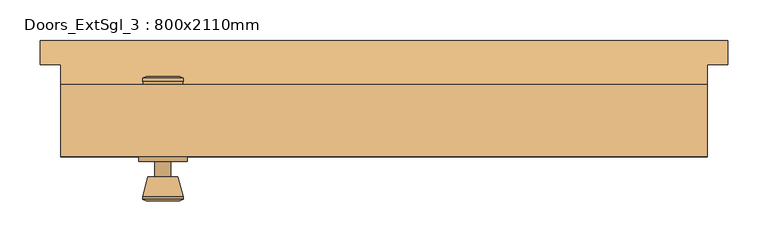
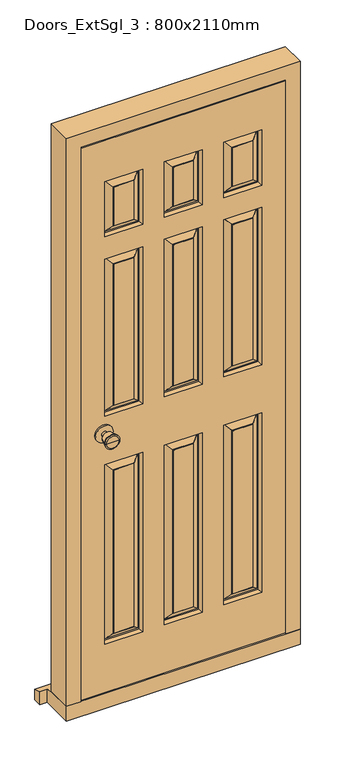
"""IFC4 building model written with IfcOpenShell, lengths in millimetres: door geometry, Doors_ExtSgl_3 : 800x2110mm."""

import ifcopenshell
import ifcopenshell.guid

model = None  # the IFC model being written
_history = None  # IfcOwnerHistory: only IFC2X3 demands one
_inside = {}  # id of a spatial element -> (the spatial element, [elements in it])
_under = {}  # id of a project, library or spatial element -> (it, [spatial elements below it])
_declared = {}  # id of a project -> (the project, [libraries it declares])
_typed = {}  # id of a type object -> (the type object, [elements of that type])
_made_of = {}  # id of a material, layer set ... -> (it, [elements and type objects made of it])


def new_model(schema):
    """Start an empty IFC model of exactly this schema.

    Asked for "IFC4X3", IfcOpenShell would pick the latest addendum, in which some entities
    have other attributes; the version numbers below select the first issue.
    IFC2X3 requires an IfcOwnerHistory on every rooted entity: one is made here for all.
    """
    global model, _history
    if schema == "IFC4X3":
        model = ifcopenshell.file(schema_version=(4, 3, 0, 0))
    else:
        model = ifcopenshell.file(schema=schema)
    _inside.clear()
    _under.clear()
    _declared.clear()
    _typed.clear()
    _made_of.clear()
    _history = None
    if model.schema == "IFC2X3":
        org = make("IfcOrganization", Name="unknown")
        user = make(
            "IfcPersonAndOrganization",
            ThePerson=make("IfcPerson", FamilyName="unknown"),
            TheOrganization=org,
        )
        app = make(
            "IfcApplication",
            ApplicationDeveloper=org,
            Version="unknown",
            ApplicationFullName="unknown",
            ApplicationIdentifier="unknown",
        )
        _history = make(
            "IfcOwnerHistory",
            OwningUser=user,
            OwningApplication=app,
            ChangeAction="ADDED",
            CreationDate=0,
        )
    return model


def make(cls, **values):
    """One entity of the class cls with the attributes given. An attribute that is None is left unset."""
    return model.create_entity(
        cls, **{name: value for name, value in values.items() if value is not None}
    )


def rooted(cls, **values):
    """An entity with a GlobalId (a new one), such as an element, a storey or a relation."""
    return make(cls, GlobalId=ifcopenshell.guid.new(), OwnerHistory=_history, **values)


def si_unit(unit_type, name, prefix=None):
    """IfcSIUnit, for example si_unit("LENGTHUNIT", "METRE", prefix="MILLI")."""
    return make("IfcSIUnit", UnitType=unit_type, Prefix=prefix, Name=name)


def assignment(units):
    """IfcUnitAssignment: the units of a project."""
    return None if units is None else make("IfcUnitAssignment", Units=units)


def point(xyz):
    """IfcCartesianPoint."""
    return None if xyz is None else make("IfcCartesianPoint", Coordinates=xyz)


def direction(xyz):
    """IfcDirection."""
    return None if xyz is None else make("IfcDirection", DirectionRatios=xyz)


def frame(location, z_axis=None, x_axis=None):
    """IfcAxis2Placement3D, a coordinate frame: its origin and axes. An axis left out is left unset."""
    return make(
        "IfcAxis2Placement3D",
        Location=point(location),
        Axis=direction(z_axis),
        RefDirection=direction(x_axis),
    )


def frame_2d(location, x_axis=None):
    """IfcAxis2Placement2D, a coordinate frame in the plane: its origin and x axis."""
    return make(
        "IfcAxis2Placement2D", Location=point(location), RefDirection=direction(x_axis)
    )


def origin():
    """The frame at (0, 0, 0) with its axes left unset."""
    return frame((0.0, 0.0, 0.0))


def place(relative_to, where):
    """IfcLocalPlacement: puts the frame where relative to a parent placement (None: the world)."""
    return make(
        "IfcLocalPlacement", PlacementRelTo=relative_to, RelativePlacement=where
    )


def context(
    kind, dimensions, precision=None, world=None, true_north=None, identifier=None
):
    """IfcGeometricRepresentationContext, for example the 3D "Model" context."""
    return make(
        "IfcGeometricRepresentationContext",
        ContextIdentifier=identifier,
        ContextType=kind,
        CoordinateSpaceDimension=dimensions,
        Precision=precision,
        WorldCoordinateSystem=world,
        TrueNorth=true_north,
    )


def project(units=None, contexts=None):
    """IfcProject with its units and contexts."""
    return rooted(
        "IfcProject",
        Name="project",
        RepresentationContexts=contexts,
        UnitsInContext=assignment(units),
    )


def spatial(cls, under=None, at=None, **own):
    """A site, building, storey or space (cls), placed at a placement, below another one or the project."""
    s = rooted(cls, ObjectPlacement=at, **own)
    if under is not None:
        _under.setdefault(under.id(), (under, []))[1].append(s)
    return s


def polyline(points):
    """IfcPolyline through the points."""
    return make("IfcPolyline", Points=[point(p) for p in points])


def circle_curve(where, radius):
    """IfcCircle in the frame where."""
    return make("IfcCircle", Position=where, Radius=radius)


def trimmed(basis, trim1, trim2, sense, master):
    """IfcTrimmedCurve: the piece of a basis curve between two trims."""
    return make(
        "IfcTrimmedCurve",
        BasisCurve=basis,
        Trim1=trim1,
        Trim2=trim2,
        SenseAgreement=sense,
        MasterRepresentation=master,
    )


def segment(curve, same_sense, transition):
    """IfcCompositeCurveSegment."""
    return make(
        "IfcCompositeCurveSegment",
        Transition=transition,
        SameSense=same_sense,
        ParentCurve=curve,
    )


def composite_curve(segments, self_intersect=None):
    """IfcCompositeCurve: segments joined end to end."""
    return make("IfcCompositeCurve", Segments=segments, SelfIntersect=self_intersect)


def outline(outer, holes=None, kind="AREA"):
    """IfcArbitraryClosedProfileDef: a profile drawn as a closed curve; with holes, ...WithVoids."""
    if holes is None:
        return make("IfcArbitraryClosedProfileDef", ProfileType=kind, OuterCurve=outer)
    return make(
        "IfcArbitraryProfileDefWithVoids",
        ProfileType=kind,
        OuterCurve=outer,
        InnerCurves=holes,
    )


def extrude(swept, where, along, depth):
    """IfcExtrudedAreaSolid: the profile swept, set in the frame where, extruded along a direction by depth."""
    return make(
        "IfcExtrudedAreaSolid",
        SweptArea=swept,
        Position=where,
        ExtrudedDirection=direction(along),
        Depth=depth,
    )


def faces_of(points, faces, orient=None, outer=None):
    """IfcFace entities. A face is a list of loops; a loop is a list of indices into points, from 0.

    orient and outer hold one flag for each loop. By default every Orientation is true, the
    first loop of a face is its IfcFaceOuterBound and the others are IfcFaceBound.
    """
    made = []
    for i, loops in enumerate(faces):
        bounds = []
        for j, loop in enumerate(loops):
            is_outer = j == 0 if outer is None else outer[i][j]
            bounds.append(
                make(
                    "IfcFaceOuterBound" if is_outer else "IfcFaceBound",
                    Bound=make("IfcPolyLoop", Polygon=[points[k] for k in loop]),
                    Orientation=True if orient is None else orient[i][j],
                )
            )
        made.append(make("IfcFace", Bounds=bounds))
    return made


def faceted_brep(points, faces, orient=None, outer=None, voids=None):
    """IfcFacetedBrep: a solid bounded by flat faces; with voids (closed shells), ...WithVoids."""
    shared = [point(p) for p in points]
    hull = make("IfcClosedShell", CfsFaces=faces_of(shared, faces, orient, outer))
    if voids is None:
        return make("IfcFacetedBrep", Outer=hull)
    return make(
        "IfcFacetedBrepWithVoids",
        Outer=hull,
        Voids=[
            make(cls, CfsFaces=faces_of(shared, fs, o, b)) for cls, fs, o, b in voids
        ],
    )


def shape(context_of_items, identifier, shape_type, items):
    """IfcShapeRepresentation: the items that make up one representation, for example the "Body"."""
    return make(
        "IfcShapeRepresentation",
        ContextOfItems=context_of_items,
        RepresentationIdentifier=identifier,
        RepresentationType=shape_type,
        Items=items,
    )


def source(mapping_origin, context_of_items, identifier, shape_type, items):
    """IfcRepresentationMap: a shape defined once, which mapped items show again and again."""
    return make(
        "IfcRepresentationMap",
        MappingOrigin=mapping_origin,
        MappedRepresentation=shape(context_of_items, identifier, shape_type, items),
    )


def transform(
    local_origin,
    x_axis=None,
    y_axis=None,
    z_axis=None,
    scale=None,
    scale2=None,
    scale3=None,
    uniform=True,
):
    """IfcCartesianTransformationOperator3D, or its non-uniform kind. x_axis, y_axis, z_axis: its Axis1, 2, 3."""
    if uniform:
        return make(
            "IfcCartesianTransformationOperator3D",
            Axis1=direction(x_axis),
            Axis2=direction(y_axis),
            LocalOrigin=point(local_origin),
            Scale=scale,
            Axis3=direction(z_axis),
        )
    return make(
        "IfcCartesianTransformationOperator3DnonUniform",
        Axis1=direction(x_axis),
        Axis2=direction(y_axis),
        LocalOrigin=point(local_origin),
        Scale=scale,
        Axis3=direction(z_axis),
        Scale2=scale2,
        Scale3=scale3,
    )


def mapped(mapping_source, mapping_target):
    """IfcMappedItem: shows the shape of a source again, moved by a transform."""
    return make(
        "IfcMappedItem", MappingSource=mapping_source, MappingTarget=mapping_target
    )


def made_of(thing, what):
    """Note that an element or type object is made of a material, layer set ...; save() writes the relation."""
    if what is not None:
        _made_of.setdefault(what.id(), (what, []))[1].append(thing)
    return thing


def element(
    cls,
    number,
    at=None,
    inside=None,
    cuts=None,
    type_object=None,
    material=None,
    context=None,
    identifier="Body",
    shape_type=None,
    held_by="IfcProductDefinitionShape",
    body=None,
    shapes=None,
    **own,
):
    """One element of the class cls, such as IfcWall. Its Tag is "e" and its number.

    at: its placement. inside: the storey or other place that contains it. cuts: it is an
    opening in that element (IfcRelVoidsElement). A single representation is given by context,
    identifier, shape_type and body (its items); several are given by shapes. held_by: the class
    of the entity that holds the representations. save() writes the other relations.
    """
    e = rooted(cls, Tag="e%d" % number, ObjectPlacement=at, **own)
    if body is not None:
        shapes = [shape(context, identifier, shape_type, body)]
    if shapes is not None:
        e.Representation = make(held_by, Representations=shapes)
    if inside is not None:
        _inside.setdefault(inside.id(), (inside, []))[1].append(e)
    if cuts is not None:
        rooted(
            "IfcRelVoidsElement", RelatingBuildingElement=cuts, RelatedOpeningElement=e
        )
    if type_object is not None:
        _typed.setdefault(type_object.id(), (type_object, []))[1].append(e)
    return made_of(e, material)


def aggregate(whole, parts):
    """IfcRelAggregates: a whole, such as a stair, and the parts it consists of."""
    return rooted("IfcRelAggregates", RelatingObject=whole, RelatedObjects=parts)


def save(model, path):
    """Write the relations noted so far, then the file.

    IfcRelAggregates (storeys below a building ...), IfcRelContainedInSpatialStructure (elements
    in a storey), IfcRelDefinesByType, IfcRelAssociatesMaterial and IfcRelDeclares: one each for
    every whole, place, type object, material and project.
    """
    for whole, parts in _under.values():
        aggregate(whole, parts)
    for where, things in _inside.values():
        rooted(
            "IfcRelContainedInSpatialStructure",
            RelatedElements=things,
            RelatingStructure=where,
        )
    for kind, things in _typed.values():
        rooted("IfcRelDefinesByType", RelatedObjects=things, RelatingType=kind)
    for what, things in _made_of.values():
        rooted("IfcRelAssociatesMaterial", RelatedObjects=things, RelatingMaterial=what)
    for by, libraries in _declared.values():
        rooted("IfcRelDeclares", RelatingContext=by, RelatedDefinitions=libraries)
    model.write(path)


def plane_surface(at):
    """IfcPlane: the flat surface through the origin of the frame at, square to its z axis."""
    return make("IfcPlane", Position=at)


def cylinder_surface(at, radius):
    """IfcCylindricalSurface: all points at the distance radius from the z axis of the frame at."""
    return make("IfcCylindricalSurface", Position=at, Radius=radius)


def revolved_surface(curve, axis_point, axis_direction):
    """IfcSurfaceOfRevolution: the curve turned about the line through axis_point along axis_direction."""
    return make(
        "IfcSurfaceOfRevolution",
        SweptCurve=make("IfcArbitraryOpenProfileDef", ProfileType="CURVE", Curve=curve),
        AxisPosition=make("IfcAxis1Placement", Location=point(axis_point), Axis=direction(axis_direction)),
    )


def advanced_brep(points, edges, surfaces, faces):
    """IfcAdvancedBrep: a solid bounded by faces that lie on surfaces and meet in shared edges.

    An edge is (start, end): straight between two places in points (the first is 0);
    or (start, end, curve); or (start, end, curve, False) where it runs against its curve.
    A face is (place in surfaces, loops), or (place, loops, False) where it looks against
    its surface's normal. A loop lists edges by number (the first is 1), with a minus sign
    where the edge is run from its end to its start. The first loop is the outer one.
    """
    corners = [point(p) for p in points]
    vertices = [make("IfcVertexPoint", VertexGeometry=c) for c in corners]
    made = []
    for start, end, *more in edges:
        made.append(
            make(
                "IfcEdgeCurve",
                EdgeStart=vertices[start],
                EdgeEnd=vertices[end],
                EdgeGeometry=more[0] if more else make("IfcPolyline", Points=[corners[start], corners[end]]),
                SameSense=more[1] if len(more) > 1 else True,
            )
        )
    hull = []
    for where, loops, *sense in faces:
        bounds = []
        for j, loop in enumerate(loops):
            ring = [make("IfcOrientedEdge", EdgeElement=made[abs(k) - 1], Orientation=k > 0) for k in loop]
            bounds.append(
                make(
                    "IfcFaceOuterBound" if j == 0 else "IfcFaceBound",
                    Bound=make("IfcEdgeLoop", EdgeList=ring),
                    Orientation=True,
                )
            )
        hull.append(make("IfcAdvancedFace", Bounds=bounds, FaceSurface=surfaces[where], SameSense=sense[0] if sense else True))
    return make("IfcAdvancedBrep", Outer=make("IfcClosedShell", CfsFaces=hull))


def doors_extsgl_3_800x2110mm_c98cb3df(model_context):
    return source(origin(), model_context, "Body", "SolidModel", [
        advanced_brep(
        [(-273.4666667, 25.0, 1000.0), (-263.4666667, 25.0, 1000.0), (-283.4666667, 25.0, 1000.0), (-252.9907991, -24.0, 1000.0), (-273.4666667, -24.0, 1000.0), (-293.9425342, -24.0, 1000.0), (-248.4666667, -22.1721319, 1000.0), (-298.4666667, -22.1721319, 1000.0), (-248.4666667, -18.7084537, 1000.0), (-298.4666667, -18.7084537, 1000.0), (-254.8304306, 6.0, 1000.0), (-292.1029027, 6.0, 1000.0), (-263.4666667, 6.0, 1000.0), (-283.4666667, 6.0, 1000.0)],
        [
            (0, 1),
            (1, 2, circle_curve(frame((-273.4666667, 25.0, 1000.0), z_axis=(0.0, 1.0, 0.0), x_axis=(-1.0, 0.0, 0.0)), 10.0)),
            (2, 0),
            (2, 1, circle_curve(frame((-273.4666667, 25.0, 1000.0), z_axis=(0.0, 1.0, 0.0), x_axis=(-1.0, 0.0, 0.0)), 10.0)),
            (3, 4),
            (4, 5),
            (5, 3, circle_curve(frame((-273.4666667, -24.0, 1000.0), z_axis=(0.0, -1.0, 0.0), x_axis=(-1.0, 0.0, 0.0)), 20.4758676)),
            (3, 5, circle_curve(frame((-273.4666667, -24.0, 1000.0), z_axis=(0.0, -1.0, 0.0), x_axis=(-1.0, 0.0, 0.0)), 20.4758676)),
            (6, 3),
            (5, 7),
            (7, 6, circle_curve(frame((-273.4666667, -22.1721319, 1000.0), z_axis=(0.0, -1.0, 0.0), x_axis=(-1.0, 0.0, 0.0)), 25.0)),
            (6, 7, circle_curve(frame((-273.4666667, -22.1721319, 1000.0), z_axis=(0.0, -1.0, 0.0), x_axis=(-1.0, 0.0, 0.0)), 25.0)),
            (8, 6),
            (7, 9),
            (9, 8, circle_curve(frame((-273.4666667, -18.7084537, 1000.0), z_axis=(0.0, -1.0, 0.0), x_axis=(-1.0, 0.0, 0.0)), 25.0)),
            (8, 9, circle_curve(frame((-273.4666667, -18.7084537, 1000.0), z_axis=(0.0, -1.0, 0.0), x_axis=(-1.0, 0.0, 0.0)), 25.0)),
            (10, 8),
            (9, 11),
            (11, 10, circle_curve(frame((-273.4666667, 6.0, 1000.0), z_axis=(0.0, -1.0, 0.0), x_axis=(-1.0, 0.0, 0.0)), 18.636236)),
            (10, 11, circle_curve(frame((-273.4666667, 6.0, 1000.0), z_axis=(0.0, -1.0, 0.0), x_axis=(-1.0, 0.0, 0.0)), 18.636236)),
            (12, 10),
            (11, 13),
            (13, 12, circle_curve(frame((-273.4666667, 6.0, 1000.0), z_axis=(0.0, -1.0, 0.0), x_axis=(-1.0, 0.0, 0.0)), 10.0)),
            (12, 13, circle_curve(frame((-273.4666667, 6.0, 1000.0), z_axis=(0.0, -1.0, 0.0), x_axis=(-1.0, 0.0, 0.0)), 10.0)),
            (1, 12),
            (13, 2),
        ],
        [
            plane_surface(frame((-273.4666667, 25.0, 1000.0), z_axis=(0.0, 1.0, 0.0), x_axis=(-1.0, 0.0, 0.0))),
            plane_surface(frame((-273.4666667, -24.0, 1000.0), z_axis=(0.0, -1.0, 0.0), x_axis=(-1.0, 0.0, 0.0))),
            revolved_surface(polyline([(-293.9425342, -24.0, 1000.0), (-298.4666667, -22.1721319, 1000.0)]), (-273.4666667, 25.0, 1000.0), (0.0, 1.0, 0.0)),
            cylinder_surface(frame((-273.4666667, 25.0, 1000.0), z_axis=(0.0, 1.0, 0.0), x_axis=(-1.0, 0.0, 0.0)), 25.0),
            revolved_surface(polyline([(-298.4666667, -18.7084537, 1000.0), (-292.1029027, 6.0, 1000.0)]), (-273.4666667, 25.0, 1000.0), (0.0, 1.0, 0.0)),
            plane_surface(frame((-273.4666667, 6.0, 1000.0), z_axis=(0.0, 1.0, 0.0), x_axis=(-1.0, 0.0, 0.0))),
            cylinder_surface(frame((-273.4666667, 25.0, 1000.0), z_axis=(0.0, 1.0, 0.0), x_axis=(-1.0, 0.0, 0.0)), 10.0),
        ],
        [
            (0, [[1, 2, 3]]),
            (0, [[-3, 4, -1]]),
            (1, [[5, 6, 7]]),
            (1, [[-6, -5, 8]]),
            (2, [[9, -7, 10, 11]]),
            (2, [[-10, -8, -9, 12]]),
            (3, [[13, -11, 14, 15]]),
            (3, [[-14, -12, -13, 16]]),
            (4, [[17, -15, 18, 19]]),
            (4, [[-18, -16, -17, 20]]),
            (5, [[21, -19, 22, 23]]),
            (5, [[-22, -20, -21, 24]]),
            (6, [[25, -23, 26, -2]]),
            (6, [[-26, -24, -25, -4]]),
        ],
    ),
        extrude(outline(composite_curve([segment(trimmed(circle_curve(frame_2d((1000.0, -273.4666667)), 30.0), [point((1000.0, -303.4666667))], [point((1000.0, -243.4666667))], False, "CARTESIAN"), True, "CONTINUOUS"), segment(trimmed(circle_curve(frame_2d((1000.0, -273.4666667)), 30.0), [point((1000.0, -243.4666667))], [point((1000.0, -303.4666667))], False, "CARTESIAN"), True, "CONTINUOUS")], self_intersect=False)), frame((0.0, 25.0, 0.0), z_axis=(0.0, 1.0, 0.0), x_axis=(0.0, 0.0, 1.0)), (0.0, 0.0, 1.0), 6.0),
        advanced_brep(
        [(-273.4666667, 81.0, 1000.0), (-283.4666667, 81.0, 1000.0), (-263.4666667, 81.0, 1000.0), (-252.9907991, 130.0, 1000.0), (-293.9425342, 130.0, 1000.0), (-273.4666667, 130.0, 1000.0), (-248.4666667, 128.1721319, 1000.0), (-298.4666667, 128.1721319, 1000.0), (-248.4666667, 124.7084537, 1000.0), (-298.4666667, 124.7084537, 1000.0), (-254.8304306, 100.0, 1000.0), (-292.1029027, 100.0, 1000.0), (-263.4666667, 100.0, 1000.0), (-283.4666667, 100.0, 1000.0)],
        [
            (0, 1),
            (1, 2, circle_curve(frame((-273.4666667, 81.0, 1000.0), z_axis=(0.0, -1.0, 0.0), x_axis=(-1.0, 0.0, 0.0)), 10.0)),
            (2, 0),
            (2, 1, circle_curve(frame((-273.4666667, 81.0, 1000.0), z_axis=(0.0, -1.0, 0.0), x_axis=(-1.0, 0.0, 0.0)), 10.0)),
            (3, 4, circle_curve(frame((-273.4666667, 130.0, 1000.0), z_axis=(0.0, 1.0, 0.0), x_axis=(-1.0, 0.0, 0.0)), 20.4758676)),
            (4, 5),
            (5, 3),
            (4, 3, circle_curve(frame((-273.4666667, 130.0, 1000.0), z_axis=(0.0, 1.0, 0.0), x_axis=(-1.0, 0.0, 0.0)), 20.4758676)),
            (6, 7, circle_curve(frame((-273.4666667, 128.1721319, 1000.0), z_axis=(0.0, 1.0, 0.0), x_axis=(-1.0, 0.0, 0.0)), 25.0)),
            (7, 4),
            (3, 6),
            (7, 6, circle_curve(frame((-273.4666667, 128.1721319, 1000.0), z_axis=(0.0, 1.0, 0.0), x_axis=(-1.0, 0.0, 0.0)), 25.0)),
            (8, 9, circle_curve(frame((-273.4666667, 124.7084537, 1000.0), z_axis=(0.0, 1.0, 0.0), x_axis=(-1.0, 0.0, 0.0)), 25.0)),
            (9, 7),
            (6, 8),
            (9, 8, circle_curve(frame((-273.4666667, 124.7084537, 1000.0), z_axis=(0.0, 1.0, 0.0), x_axis=(-1.0, 0.0, 0.0)), 25.0)),
            (10, 11, circle_curve(frame((-273.4666667, 100.0, 1000.0), z_axis=(0.0, 1.0, 0.0), x_axis=(-1.0, 0.0, 0.0)), 18.636236)),
            (11, 9),
            (8, 10),
            (11, 10, circle_curve(frame((-273.4666667, 100.0, 1000.0), z_axis=(0.0, 1.0, 0.0), x_axis=(-1.0, 0.0, 0.0)), 18.636236)),
            (12, 13, circle_curve(frame((-273.4666667, 100.0, 1000.0), z_axis=(0.0, 1.0, 0.0), x_axis=(-1.0, 0.0, 0.0)), 10.0)),
            (13, 11),
            (10, 12),
            (13, 12, circle_curve(frame((-273.4666667, 100.0, 1000.0), z_axis=(0.0, 1.0, 0.0), x_axis=(-1.0, 0.0, 0.0)), 10.0)),
            (1, 13),
            (12, 2),
        ],
        [
            plane_surface(frame((-273.4666667, 81.0, 1000.0), z_axis=(0.0, -1.0, 0.0), x_axis=(-1.0, 0.0, 0.0))),
            plane_surface(frame((-273.4666667, 130.0, 1000.0), z_axis=(0.0, 1.0, 0.0), x_axis=(-1.0, 0.0, 0.0))),
            revolved_surface(polyline([(-293.9425342, 130.0, 1000.0), (-298.4666667, 128.1721319, 1000.0)]), (-273.4666667, 81.0, 1000.0), (0.0, -1.0, 0.0)),
            cylinder_surface(frame((-273.4666667, 81.0, 1000.0), z_axis=(0.0, -1.0, 0.0), x_axis=(-1.0, 0.0, 0.0)), 25.0),
            revolved_surface(polyline([(-298.4666667, 124.7084537, 1000.0), (-292.1029027, 100.0, 1000.0)]), (-273.4666667, 81.0, 1000.0), (0.0, -1.0, 0.0)),
            plane_surface(frame((-273.4666667, 100.0, 1000.0), z_axis=(0.0, -1.0, 0.0), x_axis=(-1.0, 0.0, 0.0))),
            cylinder_surface(frame((-273.4666667, 81.0, 1000.0), z_axis=(0.0, -1.0, 0.0), x_axis=(-1.0, 0.0, 0.0)), 10.0),
        ],
        [
            (0, [[1, 2, 3]]),
            (0, [[-3, 4, -1]]),
            (1, [[5, 6, 7]]),
            (1, [[8, -7, -6]]),
            (2, [[9, 10, -5, 11]]),
            (2, [[12, -11, -8, -10]]),
            (3, [[13, 14, -9, 15]]),
            (3, [[16, -15, -12, -14]]),
            (4, [[17, 18, -13, 19]]),
            (4, [[20, -19, -16, -18]]),
            (5, [[21, 22, -17, 23]]),
            (5, [[24, -23, -20, -22]]),
            (6, [[-2, 25, -21, 26]]),
            (6, [[-4, -26, -24, -25]]),
        ],
    ),
        extrude(outline(composite_curve([segment(trimmed(circle_curve(frame_2d((1000.0, -273.4666667)), 30.0), [point((1000.0, -303.4666667))], [point((1000.0, -243.4666667))], False, "CARTESIAN"), True, "CONTINUOUS"), segment(trimmed(circle_curve(frame_2d((1000.0, -273.4666667)), 30.0), [point((1000.0, -243.4666667))], [point((1000.0, -303.4666667))], False, "CARTESIAN"), True, "CONTINUOUS")], self_intersect=False)), frame((0.0, 75.0, 0.0), z_axis=(0.0, 1.0, 0.0), x_axis=(0.0, 0.0, 1.0)), (0.0, 0.0, 1.0), 6.0),
        faceted_brep([(329.5333333, 120.0, 54.5), (400.0333333, 120.0, 54.5), (400.0333333, 31.0, 54.5), (351.5333333, 31.0, 54.5), (351.5333333, 78.0, 54.5), (329.5333333, 78.0, 54.5), (329.5333333, 120.0, 2039.5), (-329.4666667, 120.0, 2039.5), (-329.4666667, 120.0, 54.5), (-399.9666667, 120.0, 54.5), (-399.9666667, 120.0, 2110.0), (400.0333333, 120.0, 2110.0), (400.0333333, 31.0, 2110.0), (-399.9666667, 31.0, 2110.0), (-399.9666667, 31.0, 54.5), (-351.4666667, 31.0, 54.5), (-351.4666667, 31.0, 2061.5), (351.5333333, 31.0, 2061.5), (351.5333333, 78.0, 2061.5), (-351.4666667, 78.0, 2061.5), (-351.4666667, 78.0, 54.5), (-329.4666667, 78.0, 54.5), (-329.4666667, 78.0, 2039.5), (329.5333333, 78.0, 2039.5)], [[[0, 1, 2, 3, 4, 5]], [[1, 0, 6, 7, 8, 9, 10, 11]], [[2, 1, 11, 12]], [[3, 2, 12, 13, 14, 15, 16, 17]], [[4, 3, 17, 18]], [[5, 4, 18, 19, 20, 21, 22, 23]], [[0, 5, 23, 6]], [[8, 7, 22, 21]], [[9, 8, 21, 20, 15, 14]], [[10, 9, 14, 13]], [[16, 15, 20, 19]], [[11, 10, 13, 12]], [[17, 16, 19, 18]], [[7, 6, 23, 22]]]),
        faceted_brep([(425.0333333, 175.0, 0.0), (425.0333333, 175.0, 38.5947221), (425.0333333, 145.0, 47.2703282), (425.0333333, 145.0, 0.0), (-424.9666667, 175.0, 38.5947221), (-424.9666667, 175.0, 0.0), (-424.9666667, 145.0, 0.0), (-424.9666667, 145.0, 47.2703282), (400.0333333, 145.0, 0.0), (400.0333333, 31.0, 0.0), (-399.9666667, 31.0, 0.0), (-399.9666667, 145.0, 0.0), (-399.9666667, 145.0, 47.2703282), (-399.9666667, 120.0, 54.5), (400.0333333, 120.0, 54.5), (400.0333333, 145.0, 47.2703282), (-399.9666667, 31.0, 54.5), (400.0333333, 31.0, 54.5)], [[[0, 1, 2, 3]], [[4, 5, 6, 7]], [[5, 0, 3, 8, 9, 10, 11, 6]], [[1, 0, 5, 4]], [[1, 4, 7, 12, 13, 14, 15, 2]], [[13, 16, 17, 14]], [[16, 10, 9, 17]], [[12, 11, 10, 16, 13]], [[11, 12, 7, 6]], [[8, 15, 14, 17, 9]], [[15, 8, 3, 2]]]),
        faceted_brep([(348.5333333, 31.0, 58.5), (348.5333333, 31.0, 2058.5), (-349.3916961, 31.0, 2058.5), (-349.3916961, 31.0, 58.5), (-139.4666667, 31.0, 883.5), (-139.4666667, 31.0, 233.5), (-268.4666667, 31.0, 233.5), (-268.4666667, 31.0, 883.5), (268.5333333, 31.0, 883.5), (268.5333333, 31.0, 233.5), (139.5333333, 31.0, 233.5), (139.5333333, 31.0, 883.5), (64.5333333, 31.0, 883.5), (64.5333333, 31.0, 233.5), (-64.4666667, 31.0, 233.5), (-64.4666667, 31.0, 883.5), (-268.4666667, 31.0, 1058.5), (-268.4666667, 31.0, 1628.5), (-139.4666667, 31.0, 1628.5), (-139.4666667, 31.0, 1058.5), (64.5333333, 31.0, 1628.5), (64.5333333, 31.0, 1058.5), (-64.4666667, 31.0, 1058.5), (-64.4666667, 31.0, 1628.5), (268.5333333, 31.0, 1628.5), (268.5333333, 31.0, 1058.5), (139.5333333, 31.0, 1058.5), (139.5333333, 31.0, 1628.5), (-139.4666667, 31.0, 1908.5), (-139.4666667, 31.0, 1708.5), (-268.4666667, 31.0, 1708.5), (-268.4666667, 31.0, 1908.5), (64.5333333, 31.0, 1908.5), (64.5333333, 31.0, 1708.5), (-64.4666667, 31.0, 1708.5), (-64.4666667, 31.0, 1908.5), (268.5333333, 31.0, 1908.5), (268.5333333, 31.0, 1708.5), (139.5333333, 31.0, 1708.5), (139.5333333, 31.0, 1908.5), (-169.4666667, 31.0, 263.5), (-169.4666667, 31.0, 853.5), (-238.4666667, 31.0, 853.5), (-238.4666667, 31.0, 263.5), (238.5333333, 31.0, 263.5), (238.5333333, 31.0, 853.5), (169.5333333, 31.0, 853.5), (169.5333333, 31.0, 263.5), (34.5333333, 31.0, 263.5), (34.5333333, 31.0, 853.5), (-34.4666667, 31.0, 853.5), (-34.4666667, 31.0, 263.5), (-238.4666667, 31.0, 1598.5), (-238.4666667, 31.0, 1088.5), (-169.4666667, 31.0, 1088.5), (-169.4666667, 31.0, 1598.5), (34.5333333, 31.0, 1088.5), (34.5333333, 31.0, 1598.5), (-34.4666667, 31.0, 1598.5), (-34.4666667, 31.0, 1088.5), (238.5333333, 31.0, 1088.5), (238.5333333, 31.0, 1598.5), (169.5333333, 31.0, 1598.5), (169.5333333, 31.0, 1088.5), (-169.4666667, 31.0, 1738.5), (-169.4666667, 31.0, 1878.5), (-238.4666667, 31.0, 1878.5), (-238.4666667, 31.0, 1738.5), (34.5333333, 31.0, 1738.5), (34.5333333, 31.0, 1878.5), (-34.4666667, 31.0, 1878.5), (-34.4666667, 31.0, 1738.5), (238.5333333, 31.0, 1738.5), (238.5333333, 31.0, 1878.5), (169.5333333, 31.0, 1878.5), (169.5333333, 31.0, 1738.5), (348.5333333, 75.0, 58.5), (-349.3916961, 75.0, 58.5), (-349.3916961, 75.0, 2058.5), (348.5333333, 75.0, 2058.5), (139.5333333, 75.0, 883.5), (139.5333333, 75.0, 233.5), (268.5333333, 75.0, 233.5), (268.5333333, 75.0, 883.5), (-268.4666667, 75.0, 883.5), (-268.4666667, 75.0, 233.5), (-139.4666667, 75.0, 233.5), (-139.4666667, 75.0, 883.5), (-64.4666667, 75.0, 883.5), (-64.4666667, 75.0, 233.5), (64.5333333, 75.0, 233.5), (64.5333333, 75.0, 883.5), (139.5333333, 75.0, 1628.5), (139.5333333, 75.0, 1058.5), (268.5333333, 75.0, 1058.5), (268.5333333, 75.0, 1628.5), (-64.4666667, 75.0, 1628.5), (-64.4666667, 75.0, 1058.5), (64.5333333, 75.0, 1058.5), (64.5333333, 75.0, 1628.5), (-268.4666667, 75.0, 1628.5), (-268.4666667, 75.0, 1058.5), (-139.4666667, 75.0, 1058.5), (-139.4666667, 75.0, 1628.5), (268.5333333, 75.0, 1708.5), (268.5333333, 75.0, 1908.5), (139.5333333, 75.0, 1908.5), (139.5333333, 75.0, 1708.5), (-64.4666667, 75.0, 1908.5), (-64.4666667, 75.0, 1708.5), (64.5333333, 75.0, 1708.5), (64.5333333, 75.0, 1908.5), (-268.4666667, 75.0, 1908.5), (-268.4666667, 75.0, 1708.5), (-139.4666667, 75.0, 1708.5), (-139.4666667, 75.0, 1908.5), (169.5333333, 75.0, 263.5), (169.5333333, 75.0, 853.5), (238.5333333, 75.0, 853.5), (238.5333333, 75.0, 263.5), (-238.4666667, 75.0, 263.5), (-238.4666667, 75.0, 853.5), (-169.4666667, 75.0, 853.5), (-169.4666667, 75.0, 263.5), (-34.4666667, 75.0, 263.5), (-34.4666667, 75.0, 853.5), (34.5333333, 75.0, 853.5), (34.5333333, 75.0, 263.5), (169.5333333, 75.0, 1088.5), (169.5333333, 75.0, 1598.5), (238.5333333, 75.0, 1598.5), (238.5333333, 75.0, 1088.5), (-34.4666667, 75.0, 1088.5), (-34.4666667, 75.0, 1598.5), (34.5333333, 75.0, 1598.5), (34.5333333, 75.0, 1088.5), (-238.4666667, 75.0, 1088.5), (-238.4666667, 75.0, 1598.5), (-169.4666667, 75.0, 1598.5), (-169.4666667, 75.0, 1088.5), (238.5333333, 75.0, 1878.5), (238.5333333, 75.0, 1738.5), (169.5333333, 75.0, 1738.5), (169.5333333, 75.0, 1878.5), (-34.4666667, 75.0, 1738.5), (-34.4666667, 75.0, 1878.5), (34.5333333, 75.0, 1878.5), (34.5333333, 75.0, 1738.5), (-238.4666667, 75.0, 1738.5), (-238.4666667, 75.0, 1878.5), (-169.4666667, 75.0, 1878.5), (-169.4666667, 75.0, 1738.5), (142.5333333, 60.0, 880.5), (142.5333333, 60.0, 236.5), (167.5333333, 74.0, 855.5), (167.5333333, 74.0, 261.5), (147.5333333, 60.0, 241.5), (147.5333333, 60.0, 875.5), (169.5333333, 74.0, 263.5), (169.5333333, 74.0, 853.5), (265.5333333, 60.0, 236.5), (240.5333333, 74.0, 261.5), (260.5333333, 60.0, 241.5), (238.5333333, 74.0, 263.5), (265.5333333, 60.0, 880.5), (240.5333333, 74.0, 855.5), (260.5333333, 60.0, 875.5), (238.5333333, 74.0, 853.5), (-265.4666667, 60.0, 880.5), (-265.4666667, 60.0, 236.5), (-240.4666667, 74.0, 855.5), (-240.4666667, 74.0, 261.5), (-260.4666667, 60.0, 241.5), (-260.4666667, 60.0, 875.5), (-238.4666667, 74.0, 263.5), (-238.4666667, 74.0, 853.5), (-142.4666667, 60.0, 236.5), (-167.4666667, 74.0, 261.5), (-147.4666667, 60.0, 241.5), (-169.4666667, 74.0, 263.5), (-142.4666667, 60.0, 880.5), (-167.4666667, 74.0, 855.5), (-147.4666667, 60.0, 875.5), (-169.4666667, 74.0, 853.5), (-169.4666667, 32.0, 263.5), (-169.4666667, 32.0, 853.5), (-147.4666667, 46.0, 241.5), (-147.4666667, 46.0, 875.5), (-167.4666667, 32.0, 855.5), (-167.4666667, 32.0, 261.5), (-142.4666667, 46.0, 880.5), (-142.4666667, 46.0, 236.5), (-238.4666667, 32.0, 853.5), (-260.4666667, 46.0, 875.5), (-240.4666667, 32.0, 855.5), (-265.4666667, 46.0, 880.5), (-238.4666667, 32.0, 263.5), (-260.4666667, 46.0, 241.5), (-240.4666667, 32.0, 261.5), (-265.4666667, 46.0, 236.5), (265.5333333, 46.0, 880.5), (265.5333333, 46.0, 236.5), (240.5333333, 32.0, 855.5), (240.5333333, 32.0, 261.5), (260.5333333, 46.0, 241.5), (260.5333333, 46.0, 875.5), (238.5333333, 32.0, 263.5), (238.5333333, 32.0, 853.5), (142.5333333, 46.0, 236.5), (167.5333333, 32.0, 261.5), (147.5333333, 46.0, 241.5), (169.5333333, 32.0, 263.5), (142.5333333, 46.0, 880.5), (167.5333333, 32.0, 855.5), (147.5333333, 46.0, 875.5), (169.5333333, 32.0, 853.5), (-34.4666667, 74.0, 263.5), (-34.4666667, 74.0, 853.5), (-56.4666667, 60.0, 241.5), (-56.4666667, 60.0, 875.5), (-36.4666667, 74.0, 855.5), (-36.4666667, 74.0, 261.5), (-61.4666667, 60.0, 880.5), (-61.4666667, 60.0, 236.5), (34.5333333, 74.0, 853.5), (56.5333333, 60.0, 875.5), (36.5333333, 74.0, 855.5), (61.5333333, 60.0, 880.5), (34.5333333, 74.0, 263.5), (56.5333333, 60.0, 241.5), (36.5333333, 74.0, 261.5), (61.5333333, 60.0, 236.5), (61.5333333, 46.0, 880.5), (61.5333333, 46.0, 236.5), (36.5333333, 32.0, 855.5), (36.5333333, 32.0, 261.5), (56.5333333, 46.0, 241.5), (56.5333333, 46.0, 875.5), (34.5333333, 32.0, 263.5), (34.5333333, 32.0, 853.5), (-61.4666667, 46.0, 236.5), (-36.4666667, 32.0, 261.5), (-56.4666667, 46.0, 241.5), (-34.4666667, 32.0, 263.5), (-61.4666667, 46.0, 880.5), (-36.4666667, 32.0, 855.5), (-56.4666667, 46.0, 875.5), (-34.4666667, 32.0, 853.5), (169.5333333, 74.0, 1088.5), (169.5333333, 74.0, 1598.5), (147.5333333, 60.0, 1066.5), (147.5333333, 60.0, 1620.5), (167.5333333, 74.0, 1600.5), (167.5333333, 74.0, 1086.5), (142.5333333, 60.0, 1625.5), (142.5333333, 60.0, 1061.5), (238.5333333, 74.0, 1598.5), (260.5333333, 60.0, 1620.5), (240.5333333, 74.0, 1600.5), (265.5333333, 60.0, 1625.5), (238.5333333, 74.0, 1088.5), (260.5333333, 60.0, 1066.5), (240.5333333, 74.0, 1086.5), (265.5333333, 60.0, 1061.5), (-34.4666667, 74.0, 1088.5), (-34.4666667, 74.0, 1598.5), (-56.4666667, 60.0, 1066.5), (-56.4666667, 60.0, 1620.5), (-36.4666667, 74.0, 1600.5), (-36.4666667, 74.0, 1086.5), (-61.4666667, 60.0, 1625.5), (-61.4666667, 60.0, 1061.5), (34.5333333, 74.0, 1598.5), (56.5333333, 60.0, 1620.5), (36.5333333, 74.0, 1600.5), (61.5333333, 60.0, 1625.5), (34.5333333, 74.0, 1088.5), (56.5333333, 60.0, 1066.5), (36.5333333, 74.0, 1086.5), (61.5333333, 60.0, 1061.5), (-238.4666667, 74.0, 1088.5), (-238.4666667, 74.0, 1598.5), (-260.4666667, 60.0, 1066.5), (-260.4666667, 60.0, 1620.5), (-240.4666667, 74.0, 1600.5), (-240.4666667, 74.0, 1086.5), (-265.4666667, 60.0, 1625.5), (-265.4666667, 60.0, 1061.5), (-169.4666667, 74.0, 1598.5), (-147.4666667, 60.0, 1620.5), (-167.4666667, 74.0, 1600.5), (-142.4666667, 60.0, 1625.5), (-169.4666667, 74.0, 1088.5), (-147.4666667, 60.0, 1066.5), (-167.4666667, 74.0, 1086.5), (-142.4666667, 60.0, 1061.5), (238.5333333, 74.0, 1878.5), (238.5333333, 74.0, 1738.5), (260.5333333, 60.0, 1900.5), (260.5333333, 60.0, 1716.5), (240.5333333, 74.0, 1736.5), (240.5333333, 74.0, 1880.5), (265.5333333, 60.0, 1711.5), (265.5333333, 60.0, 1905.5), (169.5333333, 74.0, 1738.5), (147.5333333, 60.0, 1716.5), (167.5333333, 74.0, 1736.5), (142.5333333, 60.0, 1711.5), (169.5333333, 74.0, 1878.5), (147.5333333, 60.0, 1900.5), (167.5333333, 74.0, 1880.5), (142.5333333, 60.0, 1905.5), (-34.4666667, 74.0, 1738.5), (-34.4666667, 74.0, 1878.5), (-56.4666667, 60.0, 1716.5), (-56.4666667, 60.0, 1900.5), (-36.4666667, 74.0, 1880.5), (-36.4666667, 74.0, 1736.5), (-61.4666667, 60.0, 1905.5), (-61.4666667, 60.0, 1711.5), (34.5333333, 74.0, 1878.5), (56.5333333, 60.0, 1900.5), (36.5333333, 74.0, 1880.5), (61.5333333, 60.0, 1905.5), (34.5333333, 74.0, 1738.5), (56.5333333, 60.0, 1716.5), (36.5333333, 74.0, 1736.5), (61.5333333, 60.0, 1711.5), (-238.4666667, 74.0, 1738.5), (-238.4666667, 74.0, 1878.5), (-260.4666667, 60.0, 1716.5), (-260.4666667, 60.0, 1900.5), (-240.4666667, 74.0, 1880.5), (-240.4666667, 74.0, 1736.5), (-265.4666667, 60.0, 1905.5), (-265.4666667, 60.0, 1711.5), (-169.4666667, 74.0, 1878.5), (-147.4666667, 60.0, 1900.5), (-167.4666667, 74.0, 1880.5), (-142.4666667, 60.0, 1905.5), (-169.4666667, 74.0, 1738.5), (-147.4666667, 60.0, 1716.5), (-167.4666667, 74.0, 1736.5), (-142.4666667, 60.0, 1711.5), (-265.4666667, 46.0, 1061.5), (-265.4666667, 46.0, 1625.5), (-240.4666667, 32.0, 1086.5), (-240.4666667, 32.0, 1600.5), (-260.4666667, 46.0, 1620.5), (-260.4666667, 46.0, 1066.5), (-238.4666667, 32.0, 1598.5), (-238.4666667, 32.0, 1088.5), (-142.4666667, 46.0, 1625.5), (-167.4666667, 32.0, 1600.5), (-147.4666667, 46.0, 1620.5), (-169.4666667, 32.0, 1598.5), (-142.4666667, 46.0, 1061.5), (-167.4666667, 32.0, 1086.5), (-147.4666667, 46.0, 1066.5), (-169.4666667, 32.0, 1088.5), (34.5333333, 32.0, 1088.5), (34.5333333, 32.0, 1598.5), (56.5333333, 46.0, 1066.5), (56.5333333, 46.0, 1620.5), (36.5333333, 32.0, 1600.5), (36.5333333, 32.0, 1086.5), (61.5333333, 46.0, 1625.5), (61.5333333, 46.0, 1061.5), (-34.4666667, 32.0, 1598.5), (-56.4666667, 46.0, 1620.5), (-36.4666667, 32.0, 1600.5), (-61.4666667, 46.0, 1625.5), (-34.4666667, 32.0, 1088.5), (-56.4666667, 46.0, 1066.5), (-36.4666667, 32.0, 1086.5), (-61.4666667, 46.0, 1061.5), (265.5333333, 46.0, 1625.5), (265.5333333, 46.0, 1061.5), (240.5333333, 32.0, 1600.5), (240.5333333, 32.0, 1086.5), (260.5333333, 46.0, 1066.5), (260.5333333, 46.0, 1620.5), (238.5333333, 32.0, 1088.5), (238.5333333, 32.0, 1598.5), (142.5333333, 46.0, 1061.5), (167.5333333, 32.0, 1086.5), (147.5333333, 46.0, 1066.5), (169.5333333, 32.0, 1088.5), (142.5333333, 46.0, 1625.5), (167.5333333, 32.0, 1600.5), (147.5333333, 46.0, 1620.5), (169.5333333, 32.0, 1598.5), (-169.4666667, 32.0, 1738.5), (-169.4666667, 32.0, 1878.5), (-147.4666667, 46.0, 1716.5), (-147.4666667, 46.0, 1900.5), (-167.4666667, 32.0, 1880.5), (-167.4666667, 32.0, 1736.5), (-142.4666667, 46.0, 1905.5), (-142.4666667, 46.0, 1711.5), (-238.4666667, 32.0, 1878.5), (-260.4666667, 46.0, 1900.5), (-240.4666667, 32.0, 1880.5), (-265.4666667, 46.0, 1905.5), (-238.4666667, 32.0, 1738.5), (-260.4666667, 46.0, 1716.5), (-240.4666667, 32.0, 1736.5), (-265.4666667, 46.0, 1711.5), (34.5333333, 32.0, 1738.5), (34.5333333, 32.0, 1878.5), (56.5333333, 46.0, 1716.5), (56.5333333, 46.0, 1900.5), (36.5333333, 32.0, 1880.5), (36.5333333, 32.0, 1736.5), (61.5333333, 46.0, 1905.5), (61.5333333, 46.0, 1711.5), (-34.4666667, 32.0, 1878.5), (-56.4666667, 46.0, 1900.5), (-36.4666667, 32.0, 1880.5), (-61.4666667, 46.0, 1905.5), (-34.4666667, 32.0, 1738.5), (-56.4666667, 46.0, 1716.5), (-36.4666667, 32.0, 1736.5), (-61.4666667, 46.0, 1711.5), (238.5333333, 32.0, 1738.5), (238.5333333, 32.0, 1878.5), (260.5333333, 46.0, 1716.5), (260.5333333, 46.0, 1900.5), (240.5333333, 32.0, 1880.5), (240.5333333, 32.0, 1736.5), (265.5333333, 46.0, 1905.5), (265.5333333, 46.0, 1711.5), (169.5333333, 32.0, 1878.5), (147.5333333, 46.0, 1900.5), (167.5333333, 32.0, 1880.5), (142.5333333, 46.0, 1905.5), (169.5333333, 32.0, 1738.5), (147.5333333, 46.0, 1716.5), (167.5333333, 32.0, 1736.5), (142.5333333, 46.0, 1711.5)], [[[0, 1, 2, 3], [4, 5, 6, 7], [8, 9, 10, 11], [12, 13, 14, 15], [16, 17, 18, 19], [20, 21, 22, 23], [24, 25, 26, 27], [28, 29, 30, 31], [32, 33, 34, 35], [36, 37, 38, 39]], [[40, 41, 42, 43]], [[44, 45, 46, 47]], [[48, 49, 50, 51]], [[52, 53, 54, 55]], [[56, 57, 58, 59]], [[60, 61, 62, 63]], [[64, 65, 66, 67]], [[68, 69, 70, 71]], [[72, 73, 74, 75]], [[76, 77, 78, 79], [80, 81, 82, 83], [84, 85, 86, 87], [88, 89, 90, 91], [92, 93, 94, 95], [96, 97, 98, 99], [100, 101, 102, 103], [104, 105, 106, 107], [108, 109, 110, 111], [112, 113, 114, 115]], [[116, 117, 118, 119]], [[120, 121, 122, 123]], [[124, 125, 126, 127]], [[128, 129, 130, 131]], [[132, 133, 134, 135]], [[136, 137, 138, 139]], [[140, 141, 142, 143]], [[144, 145, 146, 147]], [[148, 149, 150, 151]], [[1, 0, 76, 79]], [[2, 1, 79, 78]], [[3, 2, 78, 77]], [[0, 3, 77, 76]], [[152, 153, 81, 80]], [[154, 155, 156, 157]], [[116, 158, 159, 117]], [[81, 153, 160, 82]], [[156, 155, 161, 162]], [[158, 116, 119, 163]], [[82, 160, 164, 83]], [[162, 161, 165, 166]], [[163, 119, 118, 167]], [[152, 80, 83, 164]], [[153, 152, 164, 160], [157, 156, 162, 166]], [[154, 157, 166, 165]], [[155, 154, 165, 161], [159, 158, 163, 167]], [[117, 159, 167, 118]], [[168, 169, 85, 84]], [[170, 171, 172, 173]], [[120, 174, 175, 121]], [[85, 169, 176, 86]], [[172, 171, 177, 178]], [[174, 120, 123, 179]], [[86, 176, 180, 87]], [[178, 177, 181, 182]], [[179, 123, 122, 183]], [[168, 84, 87, 180]], [[169, 168, 180, 176], [173, 172, 178, 182]], [[170, 173, 182, 181]], [[171, 170, 181, 177], [175, 174, 179, 183]], [[121, 175, 183, 122]], [[184, 185, 41, 40]], [[186, 187, 188, 189]], [[4, 190, 191, 5]], [[41, 185, 192, 42]], [[188, 187, 193, 194]], [[190, 4, 7, 195]], [[42, 192, 196, 43]], [[194, 193, 197, 198]], [[195, 7, 6, 199]], [[184, 40, 43, 196]], [[189, 188, 194, 198], [185, 184, 196, 192]], [[186, 189, 198, 197]], [[191, 190, 195, 199], [187, 186, 197, 193]], [[5, 191, 199, 6]], [[200, 201, 9, 8]], [[202, 203, 204, 205]], [[44, 206, 207, 45]], [[9, 201, 208, 10]], [[204, 203, 209, 210]], [[206, 44, 47, 211]], [[10, 208, 212, 11]], [[210, 209, 213, 214]], [[211, 47, 46, 215]], [[200, 8, 11, 212]], [[201, 200, 212, 208], [205, 204, 210, 214]], [[202, 205, 214, 213]], [[203, 202, 213, 209], [207, 206, 211, 215]], [[45, 207, 215, 46]], [[216, 217, 125, 124]], [[218, 219, 220, 221]], [[88, 222, 223, 89]], [[125, 217, 224, 126]], [[220, 219, 225, 226]], [[222, 88, 91, 227]], [[126, 224, 228, 127]], [[226, 225, 229, 230]], [[227, 91, 90, 231]], [[216, 124, 127, 228]], [[221, 220, 226, 230], [217, 216, 228, 224]], [[218, 221, 230, 229]], [[223, 222, 227, 231], [219, 218, 229, 225]], [[89, 223, 231, 90]], [[232, 233, 13, 12]], [[234, 235, 236, 237]], [[48, 238, 239, 49]], [[13, 233, 240, 14]], [[236, 235, 241, 242]], [[238, 48, 51, 243]], [[14, 240, 244, 15]], [[242, 241, 245, 246]], [[243, 51, 50, 247]], [[232, 12, 15, 244]], [[233, 232, 244, 240], [237, 236, 242, 246]], [[234, 237, 246, 245]], [[235, 234, 245, 241], [239, 238, 243, 247]], [[49, 239, 247, 50]], [[248, 249, 129, 128]], [[250, 251, 252, 253]], [[92, 254, 255, 93]], [[129, 249, 256, 130]], [[252, 251, 257, 258]], [[254, 92, 95, 259]], [[130, 256, 260, 131]], [[258, 257, 261, 262]], [[259, 95, 94, 263]], [[248, 128, 131, 260]], [[253, 252, 258, 262], [249, 248, 260, 256]], [[250, 253, 262, 261]], [[255, 254, 259, 263], [251, 250, 261, 257]], [[93, 255, 263, 94]], [[264, 265, 133, 132]], [[266, 267, 268, 269]], [[96, 270, 271, 97]], [[133, 265, 272, 134]], [[268, 267, 273, 274]], [[270, 96, 99, 275]], [[134, 272, 276, 135]], [[274, 273, 277, 278]], [[275, 99, 98, 279]], [[264, 132, 135, 276]], [[269, 268, 274, 278], [265, 264, 276, 272]], [[266, 269, 278, 277]], [[271, 270, 275, 279], [267, 266, 277, 273]], [[97, 271, 279, 98]], [[280, 281, 137, 136]], [[282, 283, 284, 285]], [[100, 286, 287, 101]], [[137, 281, 288, 138]], [[284, 283, 289, 290]], [[286, 100, 103, 291]], [[138, 288, 292, 139]], [[290, 289, 293, 294]], [[291, 103, 102, 295]], [[280, 136, 139, 292]], [[285, 284, 290, 294], [281, 280, 292, 288]], [[282, 285, 294, 293]], [[287, 286, 291, 295], [283, 282, 293, 289]], [[101, 287, 295, 102]], [[296, 297, 141, 140]], [[298, 299, 300, 301]], [[104, 302, 303, 105]], [[141, 297, 304, 142]], [[300, 299, 305, 306]], [[302, 104, 107, 307]], [[142, 304, 308, 143]], [[306, 305, 309, 310]], [[307, 107, 106, 311]], [[296, 140, 143, 308]], [[301, 300, 306, 310], [297, 296, 308, 304]], [[298, 301, 310, 309]], [[303, 302, 307, 311], [299, 298, 309, 305]], [[105, 303, 311, 106]], [[312, 313, 145, 144]], [[314, 315, 316, 317]], [[108, 318, 319, 109]], [[145, 313, 320, 146]], [[316, 315, 321, 322]], [[318, 108, 111, 323]], [[146, 320, 324, 147]], [[322, 321, 325, 326]], [[323, 111, 110, 327]], [[312, 144, 147, 324]], [[317, 316, 322, 326], [313, 312, 324, 320]], [[314, 317, 326, 325]], [[319, 318, 323, 327], [315, 314, 325, 321]], [[109, 319, 327, 110]], [[328, 329, 149, 148]], [[330, 331, 332, 333]], [[112, 334, 335, 113]], [[149, 329, 336, 150]], [[332, 331, 337, 338]], [[334, 112, 115, 339]], [[150, 336, 340, 151]], [[338, 337, 341, 342]], [[339, 115, 114, 343]], [[328, 148, 151, 340]], [[333, 332, 338, 342], [329, 328, 340, 336]], [[330, 333, 342, 341]], [[335, 334, 339, 343], [331, 330, 341, 337]], [[113, 335, 343, 114]], [[344, 345, 17, 16]], [[346, 347, 348, 349]], [[52, 350, 351, 53]], [[17, 345, 352, 18]], [[348, 347, 353, 354]], [[350, 52, 55, 355]], [[18, 352, 356, 19]], [[354, 353, 357, 358]], [[355, 55, 54, 359]], [[344, 16, 19, 356]], [[345, 344, 356, 352], [349, 348, 354, 358]], [[346, 349, 358, 357]], [[347, 346, 357, 353], [351, 350, 355, 359]], [[53, 351, 359, 54]], [[360, 361, 57, 56]], [[362, 363, 364, 365]], [[20, 366, 367, 21]], [[57, 361, 368, 58]], [[364, 363, 369, 370]], [[366, 20, 23, 371]], [[58, 368, 372, 59]], [[370, 369, 373, 374]], [[371, 23, 22, 375]], [[360, 56, 59, 372]], [[365, 364, 370, 374], [361, 360, 372, 368]], [[362, 365, 374, 373]], [[367, 366, 371, 375], [363, 362, 373, 369]], [[21, 367, 375, 22]], [[376, 377, 25, 24]], [[378, 379, 380, 381]], [[60, 382, 383, 61]], [[25, 377, 384, 26]], [[380, 379, 385, 386]], [[382, 60, 63, 387]], [[26, 384, 388, 27]], [[386, 385, 389, 390]], [[387, 63, 62, 391]], [[376, 24, 27, 388]], [[377, 376, 388, 384], [381, 380, 386, 390]], [[378, 381, 390, 389]], [[379, 378, 389, 385], [383, 382, 387, 391]], [[61, 383, 391, 62]], [[392, 393, 65, 64]], [[394, 395, 396, 397]], [[28, 398, 399, 29]], [[65, 393, 400, 66]], [[396, 395, 401, 402]], [[398, 28, 31, 403]], [[66, 400, 404, 67]], [[402, 401, 405, 406]], [[403, 31, 30, 407]], [[392, 64, 67, 404]], [[397, 396, 402, 406], [393, 392, 404, 400]], [[394, 397, 406, 405]], [[399, 398, 403, 407], [395, 394, 405, 401]], [[29, 399, 407, 30]], [[408, 409, 69, 68]], [[410, 411, 412, 413]], [[32, 414, 415, 33]], [[69, 409, 416, 70]], [[412, 411, 417, 418]], [[414, 32, 35, 419]], [[70, 416, 420, 71]], [[418, 417, 421, 422]], [[419, 35, 34, 423]], [[408, 68, 71, 420]], [[413, 412, 418, 422], [409, 408, 420, 416]], [[410, 413, 422, 421]], [[415, 414, 419, 423], [411, 410, 421, 417]], [[33, 415, 423, 34]], [[424, 425, 73, 72]], [[426, 427, 428, 429]], [[36, 430, 431, 37]], [[73, 425, 432, 74]], [[428, 427, 433, 434]], [[430, 36, 39, 435]], [[74, 432, 436, 75]], [[434, 433, 437, 438]], [[435, 39, 38, 439]], [[424, 72, 75, 436]], [[429, 428, 434, 438], [425, 424, 436, 432]], [[426, 429, 438, 437]], [[431, 430, 435, 439], [427, 426, 437, 433]], [[37, 431, 439, 38]]]),
    ])


if __name__ == "__main__":
    model = new_model("IFC4")
    model_context = context("Model", 3, world=origin())
    ifc_project = project(units=[si_unit("LENGTHUNIT", "METRE", prefix="MILLI")], contexts=[model_context])
    site = spatial("IfcSite", under=ifc_project)
    building = spatial("IfcBuilding", under=site)
    placement = place(None, origin())
    doors_extsgl_3_800x2110mm_shape = doors_extsgl_3_800x2110mm_c98cb3df(model_context)
    element("IfcDoor", 1, ObjectType="Doors_ExtSgl_3 : 800x2110mm", at=placement, inside=building, context=model_context, shape_type="MappedRepresentation", body=[
        mapped(doors_extsgl_3_800x2110mm_shape, transform((0.0, 0.0, 0.0), x_axis=(1.0, 0.0, 0.0), y_axis=(0.0, 1.0, 0.0), z_axis=(0.0, 0.0, 1.0))),
    ])
    save(model, "model.ifc")
